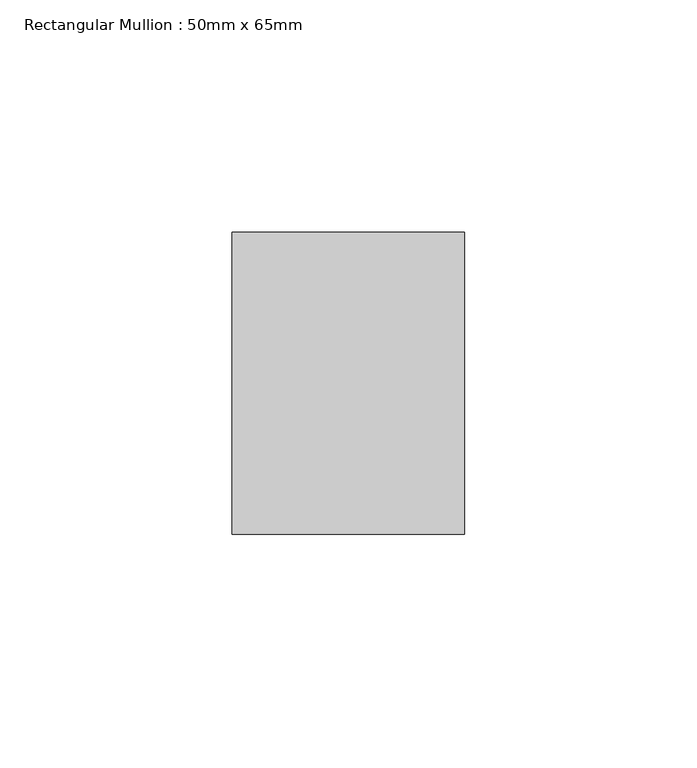
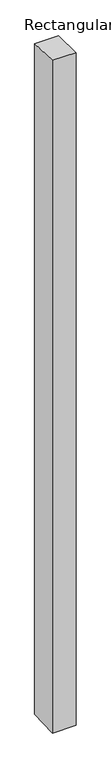
"""IFC4 building model written with IfcOpenShell, lengths in millimetres: member geometry, Rectangular Mullion : 50mm x 65mm."""

from ifc_helpers import new_model, si_unit, origin, place, context, project, spatial, faceted_brep, source, transform, mapped, element, save


def rectangular_mullion_50mm_x_65mm_5a167607(model_context):
    return source(origin(), model_context, "Body", "Brep", [
        faceted_brep([(-25.0, 32.5, -0.897959), (25.0, 32.5, -0.8979687), (25.0, 32.5, -1498.8578014), (-25.0, 32.5, -1498.8578137), (-25.0, -32.5, 0.8979687), (-25.0, -32.5, -1501.1417151), (25.0, -32.5, 0.897959), (25.0, -32.5, -1501.1417028)], [[[0, 1, 2, 3]], [[4, 0, 3, 5]], [[6, 4, 5, 7]], [[1, 6, 7, 2]], [[1, 0, 4, 6]], [[2, 7, 5, 3]]]),
    ])


if __name__ == "__main__":
    model = new_model("IFC4")
    model_context = context("Model", 3, world=origin())
    ifc_project = project(units=[si_unit("LENGTHUNIT", "METRE", prefix="MILLI")], contexts=[model_context])
    site = spatial("IfcSite", under=ifc_project)
    building = spatial("IfcBuilding", under=site)
    placement = place(None, origin())
    rectangular_mullion_50mm_x_65mm_shape = rectangular_mullion_50mm_x_65mm_5a167607(model_context)
    element("IfcMember", 1, ObjectType="Rectangular Mullion : 50mm x 65mm", at=placement, inside=building, context=model_context, shape_type="MappedRepresentation", body=[
        mapped(rectangular_mullion_50mm_x_65mm_shape, transform((0.0, 0.0, 0.0), x_axis=(1.0, 0.0, 0.0), y_axis=(0.0, 1.0, 0.0), z_axis=(0.0, 0.0, 1.0))),
    ])
    save(model, "model.ifc")
